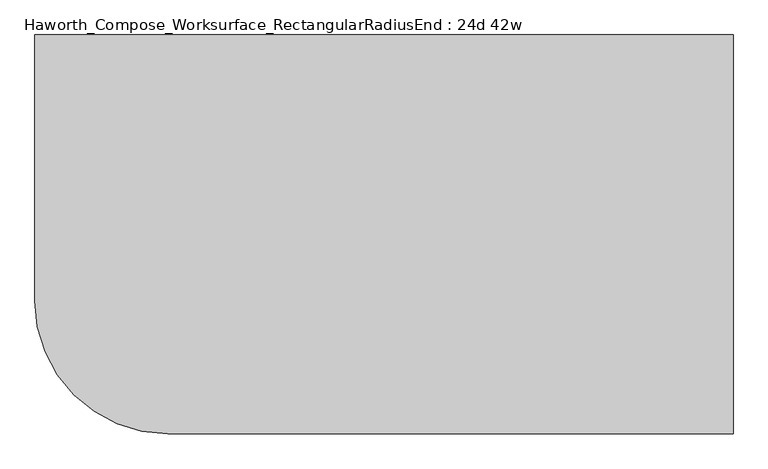
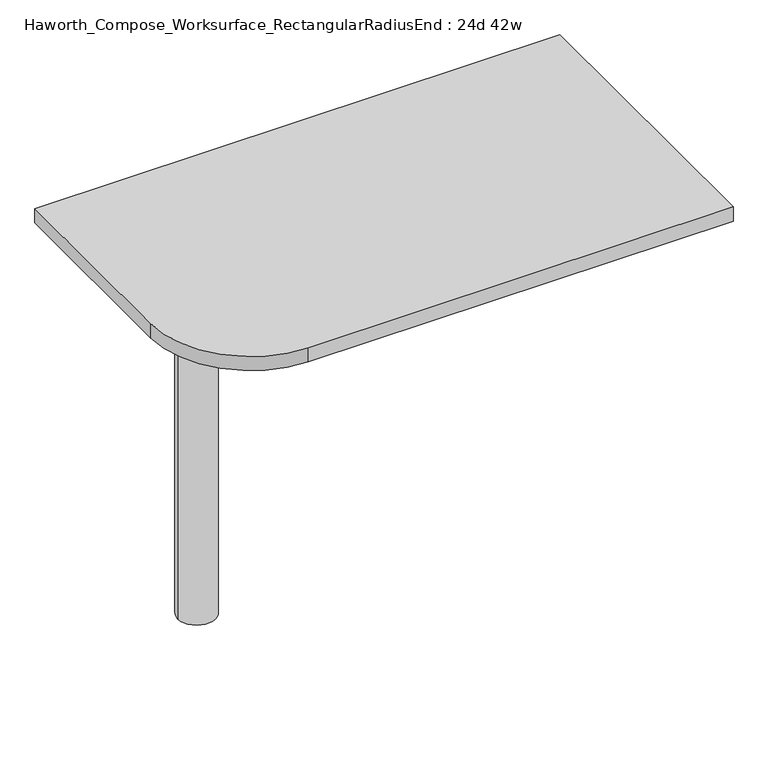
"""IFC4 building model written with IfcOpenShell, lengths in millimetres: furniture geometry, Haworth_Compose_Worksurface_RectangularRadiusEnd : 24d 42w."""

from ifc_helpers import new_model, si_unit, point, frame, frame_2d, origin, place, context, project, spatial, polyline, circle_curve, trimmed, segment, composite_curve, outline, extrude, source, transform, mapped, element, save
from ifc_brep_helpers import plane_surface, cylinder_surface, revolved_surface, advanced_brep


def haworth_compose_worksurface_rectangularradiusend_24d_42w_89853b05(model_context):
    return source(origin(), model_context, "Body", "SolidModel", [
        advanced_brep(
        [(527.84375, 304.8, 475.45625), (527.84375, 288.925, 475.45625), (527.84375, -101.6, 691.7192568), (527.84375, -101.6, 704.05625), (527.84375, 288.925, 704.05625), (527.84375, 304.8, 704.05625), (527.84375, 221.490072, 665.95625), (527.84375, 177.8355284, 665.95625), (527.84375, 175.1564235, 656.3705539), (527.84375, 266.8776173, 605.5776439), (527.84375, 276.225, 611.1756969), (527.84375, 276.225, 634.6860246), (527.84375, 274.4730055, 637.5242776), (527.84375, 224.5663437, 665.1613425), (530.225, 304.8, 475.45625), (530.225, 304.8, 704.05625), (530.225, 288.925, 704.05625), (530.225, 288.925, 706.4375), (530.225, -101.6, 706.4375), (530.225, -101.6, 691.7192568), (530.225, 288.925, 475.45625), (530.225, 221.490072, 665.95625), (530.225, 224.5663437, 665.1613425), (530.225, 274.4730055, 637.5242776), (530.225, 276.225, 634.6860246), (530.225, 276.225, 611.1756969), (530.225, 266.8776173, 605.5776439), (530.225, 175.1564235, 656.3705539), (530.225, 177.8355284, 665.95625), (488.95, -101.6, 706.4375), (488.95, -101.6, 704.05625), (488.95, 288.925, 704.05625), (488.95, 288.925, 706.4375)],
        [
            (0, 1),
            (1, 2),
            (2, 3),
            (3, 4),
            (4, 5),
            (5, 0),
            (6, 7),
            (7, 8, circle_curve(frame((527.84375, 177.8355284, 660.7890106), z_axis=(1.0, 0.0, 0.0), x_axis=(0.0, -1.0, 0.0)), 5.1672394)),
            (8, 9),
            (9, 10, circle_curve(frame((527.84375, 269.875, 611.1756969), z_axis=(1.0, 0.0, 0.0), x_axis=(0.0, -1.0, 0.0)), 6.35)),
            (10, 11),
            (11, 12, circle_curve(frame((527.84375, 273.05, 634.6860246), z_axis=(1.0, 0.0, 0.0), x_axis=(0.0, -1.0, 0.0)), 3.175)),
            (12, 13),
            (13, 6, circle_curve(frame((527.84375, 221.490072, 659.60625), z_axis=(1.0, 0.0, 0.0), x_axis=(0.0, -1.0, 0.0)), 6.35)),
            (14, 15),
            (15, 16),
            (16, 17),
            (17, 18),
            (18, 19),
            (19, 20),
            (20, 14),
            (21, 22, circle_curve(frame((530.225, 221.490072, 659.60625), z_axis=(-1.0, 0.0, 0.0), x_axis=(0.0, -1.0, 0.0)), 6.35)),
            (22, 23),
            (23, 24, circle_curve(frame((530.225, 273.05, 634.6860246), z_axis=(-1.0, 0.0, 0.0), x_axis=(0.0, -1.0, 0.0)), 3.175)),
            (24, 25),
            (25, 26, circle_curve(frame((530.225, 269.875, 611.1756969), z_axis=(-1.0, 0.0, 0.0), x_axis=(0.0, -1.0, 0.0)), 6.35)),
            (26, 27),
            (27, 28, circle_curve(frame((530.225, 177.8355284, 660.7890106), z_axis=(-1.0, 0.0, 0.0), x_axis=(0.0, -1.0, 0.0)), 5.1672394)),
            (28, 21),
            (4, 16),
            (15, 5),
            (14, 0),
            (20, 1),
            (19, 2),
            (18, 29),
            (29, 30),
            (30, 3),
            (6, 21),
            (28, 7),
            (9, 26),
            (25, 10),
            (24, 11),
            (23, 12),
            (27, 8),
            (31, 4),
            (30, 31),
            (32, 29),
            (17, 32),
            (31, 32),
            (22, 13),
        ],
        [
            plane_surface(frame((527.84375, 304.8, 475.45625), z_axis=(-1.0, 0.0, 0.0), x_axis=(0.0, 1.0, 0.0))),
            plane_surface(frame((530.225, 304.8, 475.45625), z_axis=(1.0, 0.0, 0.0), x_axis=(0.0, -1.0, 0.0))),
            plane_surface(frame((530.225, -101.6, 704.05625), z_axis=(0.0, 0.0, 1.0), x_axis=(-1.0, 0.0, 0.0))),
            plane_surface(frame((530.225, 304.8, 704.05625), z_axis=(0.0, 1.0, 0.0), x_axis=(-1.0, 0.0, 0.0))),
            plane_surface(frame((530.225, 304.8, 475.45625), z_axis=(0.0, 0.0, -1.0), x_axis=(-1.0, 0.0, 0.0))),
            plane_surface(frame((530.225, 288.925, 475.45625), z_axis=(0.0, -0.48445223513455843, -0.8748177135112952), x_axis=(-1.0, 0.0, 0.0))),
            plane_surface(frame((530.225, -101.6, 691.7192568), z_axis=(0.0, -1.0, 0.0), x_axis=(-1.0, 0.0, 0.0))),
            plane_surface(frame((530.225, 221.490072, 665.95625), z_axis=(0.0, 0.0, -1.0), x_axis=(-1.0, 0.0, 0.0))),
            revolved_surface(polyline([(527.84375, 263.525, 611.1756969), (530.225, 263.525, 611.1756969)]), (530.225, 269.875, 611.1756969), (-1.0, 0.0, 0.0)),
            plane_surface(frame((530.225, 276.225, 611.1756969), z_axis=(0.0, -1.0, 0.0), x_axis=(-1.0, 0.0, 0.0))),
            revolved_surface(polyline([(527.84375, 269.875, 634.6860246), (530.225, 269.875, 634.6860246)]), (530.225, 273.05, 634.6860246), (-1.0, 0.0, 0.0)),
            revolved_surface(polyline([(527.84375, 172.668289, 660.7890106), (530.225, 172.668289, 660.7890106)]), (530.225, 177.8355284, 660.7890106), (-1.0, 0.0, 0.0)),
            plane_surface(frame((530.225, 288.925, 704.05625), z_axis=(0.0, 0.0, -1.0), x_axis=(-1.0, 0.0, 0.0))),
            plane_surface(frame((530.225, 288.925, 706.4375), z_axis=(0.0, 0.0, 1.0), x_axis=(1.0, 0.0, 0.0))),
            plane_surface(frame((488.95, 288.925, 706.4375), z_axis=(0.0, 1.0, 0.0), x_axis=(0.0, 0.0, -1.0))),
            plane_surface(frame((488.95, -101.6, 706.4375), z_axis=(-1.0, 0.0, 0.0), x_axis=(0.0, 0.0, -1.0))),
            plane_surface(frame((530.225, 175.1564235, 656.3705539), z_axis=(0.0, 0.4844522351345583, 0.8748177135112953), x_axis=(-1.0, 0.0, 0.0))),
            plane_surface(frame((530.225, 274.4730055, 637.5242776), z_axis=(0.0, -0.4844522351345582, -0.8748177135112953), x_axis=(-1.0, 0.0, 0.0))),
            revolved_surface(polyline([(527.84375, 215.140072, 659.60625), (530.225, 215.140072, 659.60625)]), (530.225, 221.490072, 659.60625), (-1.0, 0.0, 0.0)),
        ],
        [
            (0, [[1, 2, 3, 4, 5, 6], [7, 8, 9, 10, 11, 12, 13, 14]]),
            (1, [[15, 16, 17, 18, 19, 20, 21], [22, 23, 24, 25, 26, 27, 28, 29]]),
            (2, [[-5, 30, -16, 31]]),
            (3, [[-31, -15, 32, -6]]),
            (4, [[-32, -21, 33, -1]]),
            (5, [[-33, -20, 34, -2]]),
            (6, [[-34, -19, 35, 36, 37, -3]]),
            (7, [[38, -29, 39, -7]]),
            (8, [[40, -26, 41, -10]]),
            (9, [[-41, -25, 42, -11]]),
            (10, [[-42, -24, 43, -12]]),
            (11, [[-39, -28, 44, -8]]),
            (12, [[45, -4, -37, 46]]),
            (13, [[47, -35, -18, 48]]),
            (14, [[-17, -30, -45, 49, -48]]),
            (15, [[-36, -47, -49, -46]]),
            (16, [[-44, -27, -40, -9]]),
            (17, [[-43, -23, 50, -13]]),
            (18, [[-50, -22, -38, -14]]),
        ],
    ),
        advanced_brep(
        [(-342.9, 0.0, 706.4375), (-419.1, 0.0, 706.4375), (-381.0, 0.0, 706.4375), (-342.9, 0.0, 0.0), (-419.1, 0.0, 0.0), (-381.0, 0.0, 0.0)],
        [
            (0, 1, circle_curve(frame((-381.0, 0.0, 706.4375), z_axis=(0.0, 0.0, 1.0), x_axis=(-1.0, 0.0, 0.0)), 38.1)),
            (1, 2),
            (2, 0),
            (1, 0, circle_curve(frame((-381.0, 0.0, 706.4375), z_axis=(0.0, 0.0, 1.0), x_axis=(-1.0, 0.0, 0.0)), 38.1)),
            (3, 4, circle_curve(frame((-381.0, 0.0, 0.0), z_axis=(0.0, 0.0, 1.0), x_axis=(-1.0, 0.0, 0.0)), 38.1)),
            (4, 1),
            (0, 3),
            (4, 3, circle_curve(frame((-381.0, 0.0, 0.0), z_axis=(0.0, 0.0, 1.0), x_axis=(-1.0, 0.0, 0.0)), 38.1)),
            (5, 4),
            (3, 5),
        ],
        [
            plane_surface(frame((-381.0, 0.0, 706.4375), z_axis=(0.0, 0.0, 1.0), x_axis=(-1.0, 0.0, 0.0))),
            cylinder_surface(frame((-381.0, 0.0, 889.623257), z_axis=(0.0, 0.0, -1.0), x_axis=(-1.0, 0.0, 0.0)), 38.1),
            plane_surface(frame((-381.0, 0.0, 0.0), z_axis=(0.0, 0.0, -1.0), x_axis=(-1.0, 0.0, 0.0))),
        ],
        [
            (0, [[1, 2, 3]]),
            (0, [[4, -3, -2]]),
            (1, [[5, 6, -1, 7]]),
            (1, [[8, -7, -4, -6]]),
            (2, [[9, -5, 10]]),
            (2, [[-10, -8, -9]]),
        ],
    ),
        extrude(outline(composite_curve([segment(polyline([(533.4, 304.8), (533.4, -304.8), (-330.2, -304.8)]), True, "CONTINUOUS"), segment(trimmed(circle_curve(frame_2d((-330.2, -101.6)), 203.2), [point((-330.2, -304.8))], [point((-533.4, -101.6))], False, "CARTESIAN"), True, "CONTINUOUS"), segment(polyline([(-533.4, -101.6), (-533.4, 304.8), (533.4, 304.8)]), True, "CONTINUOUS")], self_intersect=False)), frame((0.0, 0.0, 706.4375), z_axis=(0.0, 0.0, 1.0), x_axis=(1.0, 0.0, 0.0)), (0.0, 0.0, 1.0), 30.1625),
    ])


if __name__ == "__main__":
    model = new_model("IFC4")
    model_context = context("Model", 3, world=origin())
    ifc_project = project(units=[si_unit("LENGTHUNIT", "METRE", prefix="MILLI")], contexts=[model_context])
    site = spatial("IfcSite", under=ifc_project)
    building = spatial("IfcBuilding", under=site)
    placement = place(None, origin())
    haworth_compose_worksurface_rectangularradiusend_24d_42w_shape = haworth_compose_worksurface_rectangularradiusend_24d_42w_89853b05(model_context)
    element("IfcFurniture", 1, ObjectType="Haworth_Compose_Worksurface_RectangularRadiusEnd : 24d 42w", at=placement, inside=building, context=model_context, shape_type="MappedRepresentation", body=[
        mapped(haworth_compose_worksurface_rectangularradiusend_24d_42w_shape, transform((0.0, 0.0, 0.0), x_axis=(1.0, 0.0, 0.0), y_axis=(0.0, 1.0, 0.0), z_axis=(0.0, 0.0, 1.0))),
    ])
    save(model, "model.ifc")
